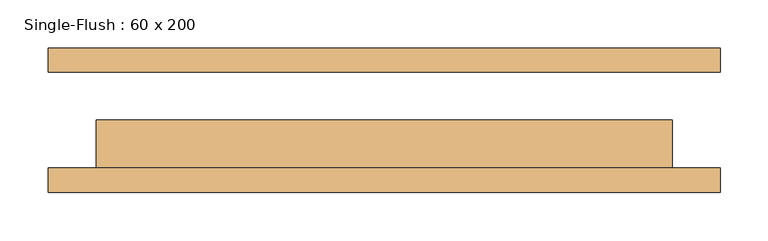
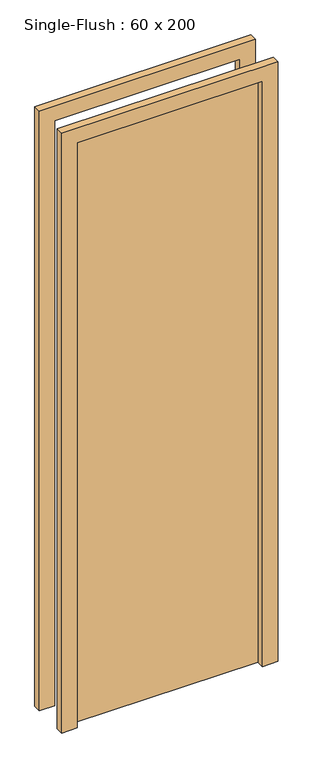
"""IFC4 building model written with IfcOpenShell, lengths in millimetres: door geometry, Single-Flush : 60 x 200."""

from ifc_helpers import new_model, si_unit, frame, origin, origin_with_axes, place, context, project, spatial, polyline, outline, extrude, source, transform, mapped, element, save


def single_flush_60_x_200_d1557d36(model_context):
    return source(origin(), model_context, "Body", "SweptSolid", [
        extrude(outline(polyline([(2050.0, -350.0), (0.0, -350.0), (0.0, -300.0), (2000.0, -300.0), (2000.0, 300.0), (0.0, 300.0), (0.0, 350.0), (2050.0, 350.0), (2050.0, -350.0)])), frame((0.0, -75.4, 0.0), z_axis=(0.0, 1.0, 0.0), x_axis=(0.0, 0.0, 1.0)), (0.0, 0.0, 1.0), 25.4),
        extrude(outline(polyline([(2050.0, 350.0), (2050.0, -350.0), (0.0, -350.0), (0.0, -300.0), (2000.0, -300.0), (2000.0, 300.0), (0.0, 300.0), (0.0, 350.0), (2050.0, 350.0)])), frame((0.0, 50.0, 0.0), z_axis=(0.0, 1.0, 0.0), x_axis=(0.0, 0.0, 1.0)), (0.0, 0.0, 1.0), 25.4),
        extrude(outline(polyline([(300.0, 0.0), (300.0, -50.0), (-300.0, -50.0), (-300.0, 0.0), (300.0, 0.0)])), origin_with_axes(), (0.0, 0.0, 1.0), 2000.0),
    ])


if __name__ == "__main__":
    model = new_model("IFC4")
    model_context = context("Model", 3, world=origin())
    ifc_project = project(units=[si_unit("LENGTHUNIT", "METRE", prefix="MILLI")], contexts=[model_context])
    site = spatial("IfcSite", under=ifc_project)
    building = spatial("IfcBuilding", under=site)
    placement = place(None, origin())
    single_flush_60_x_200_shape = single_flush_60_x_200_d1557d36(model_context)
    element("IfcDoor", 1, ObjectType="Single-Flush : 60 x 200", at=placement, inside=building, context=model_context, shape_type="MappedRepresentation", body=[
        mapped(single_flush_60_x_200_shape, transform((0.0, 0.0, 0.0), x_axis=(1.0, 0.0, 0.0), y_axis=(0.0, 1.0, 0.0), z_axis=(0.0, 0.0, 1.0))),
    ])
    save(model, "model.ifc")
